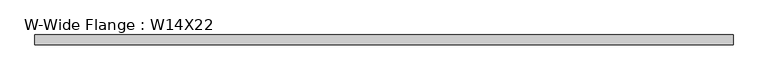
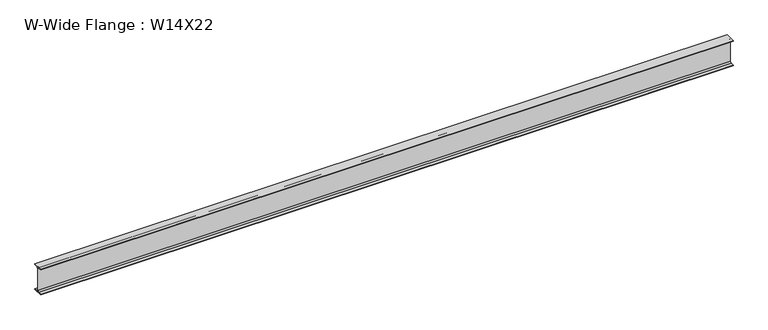
"""IFC4 building model written with IfcOpenShell, lengths in millimetres: beam geometry, W-Wide Flange : W14X22."""

from ifc_helpers import new_model, si_unit, point, frame, frame_2d, origin, place, context, project, spatial, polyline, circle_curve, trimmed, segment, composite_curve, outline, extrude, source, transform, mapped, element, save


def w_wide_flange_w14x22_f7b49df9(model_context):
    return source(origin(), model_context, "Body", "SweptSolid", [
        extrude(outline(composite_curve([segment(polyline([(63.5, -165.4472656), (63.5, -173.9800781), (-63.5, -173.9800781), (-63.5, -165.4472656), (-21.3816406, -165.4472656)]), True, "CONTINUOUS"), segment(trimmed(circle_curve(frame_2d((-21.3816406, -146.9925781)), 18.4546875), [point((-21.3816406, -165.4472656))], [point((-2.9269531, -146.9925781))], True, "CARTESIAN"), True, "CONTINUOUS"), segment(polyline([(-2.9269531, -146.9925781), (-2.9269531, 146.9925781)]), True, "CONTINUOUS"), segment(trimmed(circle_curve(frame_2d((-21.3816406, 146.9925781)), 18.4546875), [point((-2.9269531, 146.9925781))], [point((-21.3816406, 165.4472656))], True, "CARTESIAN"), True, "CONTINUOUS"), segment(polyline([(-21.3816406, 165.4472656), (-63.5, 165.4472656), (-63.5, 173.9800781), (63.5, 173.9800781), (63.5, 165.4472656), (21.3816406, 165.4472656)]), True, "CONTINUOUS"), segment(trimmed(circle_curve(frame_2d((21.3816406, 146.9925781)), 18.4546875), [point((21.3816406, 165.4472656))], [point((2.9269531, 146.9925781))], True, "CARTESIAN"), True, "CONTINUOUS"), segment(polyline([(2.9269531, 146.9925781), (2.9269531, -146.9925781)]), True, "CONTINUOUS"), segment(trimmed(circle_curve(frame_2d((21.3816406, -146.9925781)), 18.4546875), [point((2.9269531, -146.9925781))], [point((21.3816406, -165.4472656))], True, "CARTESIAN"), True, "CONTINUOUS"), segment(polyline([(21.3816406, -165.4472656), (63.5, -165.4472656)]), True, "CONTINUOUS")], self_intersect=False)), frame((-4508.4503906, 0.0, 0.0), z_axis=(1.0, 0.0, 0.0), x_axis=(0.0, 1.0, 0.0)), (0.0, 0.0, 1.0), 8963.6203125),
    ])


if __name__ == "__main__":
    model = new_model("IFC4")
    model_context = context("Model", 3, world=origin())
    ifc_project = project(units=[si_unit("LENGTHUNIT", "METRE", prefix="MILLI")], contexts=[model_context])
    site = spatial("IfcSite", under=ifc_project)
    building = spatial("IfcBuilding", under=site)
    placement = place(None, origin())
    w_wide_flange_w14x22_shape = w_wide_flange_w14x22_f7b49df9(model_context)
    element("IfcBeam", 1, ObjectType="W-Wide Flange : W14X22", at=placement, inside=building, context=model_context, shape_type="MappedRepresentation", body=[
        mapped(w_wide_flange_w14x22_shape, transform((0.0, 0.0, 0.0), x_axis=(1.0, 0.0, 0.0), y_axis=(0.0, 1.0, 0.0), z_axis=(0.0, 0.0, 1.0))),
    ])
    save(model, "model.ifc")
